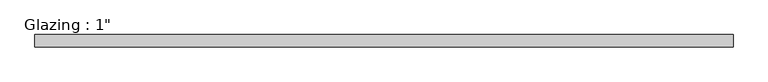
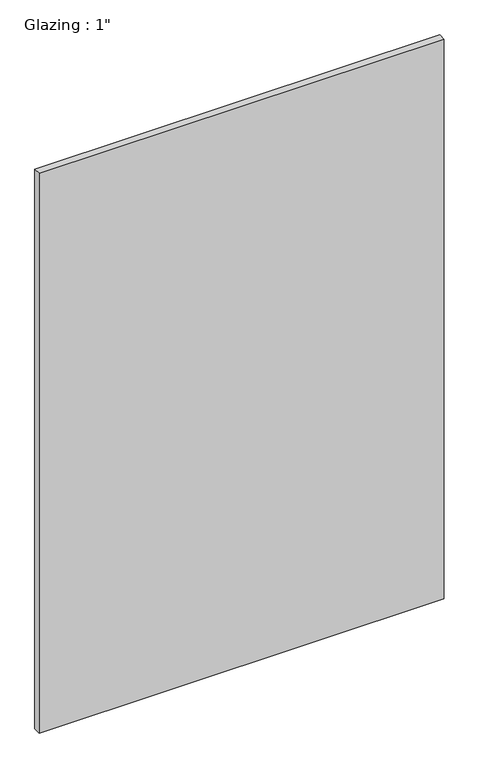
"""IFC4 building model written with IfcOpenShell, lengths in millimetres: plate geometry."""

from ifc_helpers import new_model, si_unit, origin, origin_with_axes, place, context, project, spatial, polyline, outline, extrude, source, transform, mapped, element, save


def plate_0b2fae3f(model_context):
    return source(origin(), model_context, "Body", "SweptSolid", [
        extrude(outline(polyline([(717.0507144, -12.7), (-717.0507144, -12.7), (-717.0507144, 12.7), (717.0507144, 12.7), (717.0507144, -12.7)])), origin_with_axes(), (0.0, 0.0, 1.0), 2094.5428768),
    ])


if __name__ == "__main__":
    model = new_model("IFC4")
    model_context = context("Model", 3, world=origin())
    ifc_project = project(units=[si_unit("LENGTHUNIT", "METRE", prefix="MILLI")], contexts=[model_context])
    site = spatial("IfcSite", under=ifc_project)
    building = spatial("IfcBuilding", under=site)
    placement = place(None, origin())
    plate_shape = plate_0b2fae3f(model_context)
    element("IfcPlate", 1, ObjectType="Glazing : 1\"", at=placement, inside=building, context=model_context, shape_type="MappedRepresentation", body=[
        mapped(plate_shape, transform((0.0, 0.0, 0.0), x_axis=(1.0, 0.0, 0.0), y_axis=(0.0, 1.0, 0.0), z_axis=(0.0, 0.0, 1.0))),
    ])
    save(model, "model.ifc")
